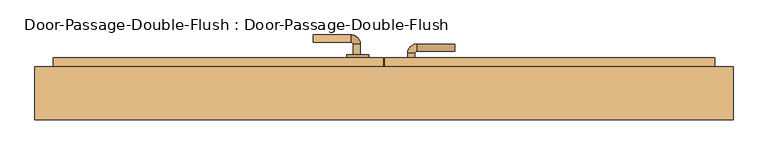
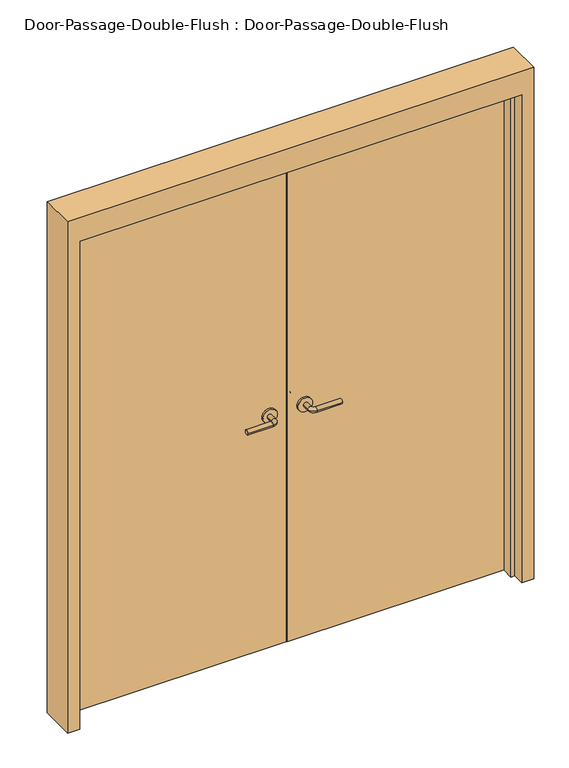
"""IFC4 building model written with IfcOpenShell, lengths in millimetres: door geometry, Door-Passage-Double-Flush : Door-Passage-Double-Flush."""

from ifc_helpers import new_model, si_unit, point, frame, frame_2d, origin, origin_with_axes, place, context, project, spatial, polyline, circle_curve, ellipse_curve, trimmed, segment, composite_curve, outline, extrude, faceted_brep, source, transform, mapped, element, save
from ifc_brep_helpers import plane_surface, cylinder_surface, revolved_surface, advanced_brep


def door_passage_double_flush_door_passage_double_flush_13d4e7fc(model_context):
    return source(origin(), model_context, "Body", "SolidModel", [
        advanced_brep(
        [(-65.009375, 4.7, 1016.0), (-85.009375, 4.7, 1016.0), (-65.009375, -25.3, 1016.0), (-85.009375, -25.3, 1016.0), (-90.009375, -30.3, 1016.0), (-90.009375, -50.3, 1016.0), (-195.009375, -50.3, 1016.0), (-195.009375, -30.3, 1016.0)],
        [
            (0, 1, circle_curve(frame((-75.009375, 4.7, 1016.0), z_axis=(0.0, 1.0, 0.0), x_axis=(-1.0, 0.0, 0.0)), 10.0)),
            (1, 0, circle_curve(frame((-75.009375, 4.7, 1016.0), z_axis=(0.0, 1.0, 0.0), x_axis=(-1.0, 0.0, 0.0)), 10.0)),
            (0, 2),
            (2, 3, circle_curve(frame((-75.009375, -25.3, 1016.0), z_axis=(0.0, 1.0, 0.0), x_axis=(-1.0, 0.0, 0.0)), 10.0)),
            (3, 1),
            (3, 2, circle_curve(frame((-75.009375, -25.3, 1016.0), z_axis=(0.0, 1.0, 0.0), x_axis=(-1.0, 0.0, 0.0)), 10.0)),
            (4, 3, circle_curve(frame((-90.009375, -25.3, 1016.0), z_axis=(0.0, 0.0, 1.0), x_axis=(1.0, 0.0, 0.0)), 5.0)),
            (2, 5, circle_curve(frame((-90.009375, -25.3, 1016.0), z_axis=(0.0, 0.0, -1.0), x_axis=(1.0, 0.0, 0.0)), 25.0)),
            (5, 4, circle_curve(frame((-90.009375, -40.3, 1016.0), z_axis=(1.0, 0.0, 0.0), x_axis=(0.0, 1.0, 0.0)), 10.0)),
            (4, 5, circle_curve(frame((-90.009375, -40.3, 1016.0), z_axis=(1.0, 0.0, 0.0), x_axis=(0.0, 1.0, 0.0)), 10.0)),
            (6, 7, circle_curve(frame((-195.009375, -40.3, 1016.0), z_axis=(-1.0, 0.0, 0.0), x_axis=(0.0, 1.0, 0.0)), 10.0)),
            (7, 6, circle_curve(frame((-195.009375, -40.3, 1016.0), z_axis=(-1.0, 0.0, 0.0), x_axis=(0.0, 1.0, 0.0)), 10.0)),
            (5, 6),
            (7, 4),
        ],
        [
            plane_surface(frame((-75.009375, 4.7, 1016.0), z_axis=(0.0, 1.0, 0.0), x_axis=(0.0, 0.0, 1.0))),
            cylinder_surface(frame((-75.009375, 4.7, 1016.0), z_axis=(0.0, 1.0, 0.0), x_axis=(-1.0, 0.0, 0.0)), 10.0),
            revolved_surface(trimmed(ellipse_curve(frame((-75.009375, -25.3, 1016.0), z_axis=(0.0, 1.0, 0.0), x_axis=(-1.0, 0.0, 0.0)), 10.0, 10.0), [point((-65.009375, -25.3, 1016.0))], [point((-85.009375, -25.3, 1016.0))], True, "CARTESIAN"), (-90.009375, -25.3, 1016.0), (0.0, 0.0, -1.0)),
            revolved_surface(trimmed(ellipse_curve(frame((-75.009375, -25.3, 1016.0), z_axis=(0.0, 1.0, 0.0), x_axis=(-1.0, 0.0, 0.0)), 10.0, 10.0), [point((-85.009375, -25.3, 1016.0))], [point((-65.009375, -25.3, 1016.0))], True, "CARTESIAN"), (-90.009375, -25.3, 1016.0), (0.0, 0.0, -1.0)),
            plane_surface(frame((-195.009375, -40.3, 1016.0), z_axis=(-1.0, 0.0, 0.0), x_axis=(0.0, 0.0, 1.0))),
            cylinder_surface(frame((-90.009375, -40.3, 1016.0), z_axis=(1.0, 0.0, 0.0), x_axis=(0.0, 1.0, 0.0)), 10.0),
        ],
        [
            (0, [[1, 2]]),
            (1, [[-1, 3, 4, 5]]),
            (1, [[-2, -5, 6, -3]]),
            (2, [[7, -4, 8, 9]]),
            (3, [[-8, -6, -7, 10]]),
            (4, [[11, 12]]),
            (5, [[-9, 13, -12, 14]]),
            (5, [[-10, -14, -11, -13]]),
        ],
    ),
        extrude(outline(composite_curve([segment(trimmed(circle_curve(frame_2d((1016.0, -72.509375)), 30.0), [point((1016.0, -42.509375))], [point((1016.0, -102.509375))], False, "CARTESIAN"), True, "CONTINUOUS"), segment(trimmed(circle_curve(frame_2d((1016.0, -72.509375)), 30.0), [point((1016.0, -102.509375))], [point((1016.0, -42.509375))], False, "CARTESIAN"), True, "CONTINUOUS")], self_intersect=False)), frame((0.0, 4.7, 0.0), z_axis=(0.0, 1.0, 0.0), x_axis=(0.0, 0.0, 1.0)), (0.0, 0.0, 1.0), 8.0),
        advanced_brep(
        [(-65.009375, 90.55, 1016.0), (-85.009375, 90.55, 1016.0), (-85.009375, 120.55, 1016.0), (-65.009375, 120.55, 1016.0), (-90.009375, 125.55, 1016.0), (-90.009375, 145.55, 1016.0), (-195.009375, 145.55, 1016.0), (-195.009375, 125.55, 1016.0)],
        [
            (0, 1, circle_curve(frame((-75.009375, 90.55, 1016.0), z_axis=(0.0, -1.0, 0.0), x_axis=(-1.0, 0.0, 0.0)), 10.0)),
            (1, 0, circle_curve(frame((-75.009375, 90.55, 1016.0), z_axis=(0.0, -1.0, 0.0), x_axis=(-1.0, 0.0, 0.0)), 10.0)),
            (1, 2),
            (2, 3, circle_curve(frame((-75.009375, 120.55, 1016.0), z_axis=(0.0, -1.0, 0.0), x_axis=(-1.0, 0.0, 0.0)), 10.0)),
            (3, 0),
            (3, 2, circle_curve(frame((-75.009375, 120.55, 1016.0), z_axis=(0.0, -1.0, 0.0), x_axis=(-1.0, 0.0, 0.0)), 10.0)),
            (4, 5, circle_curve(frame((-90.009375, 135.55, 1016.0), z_axis=(1.0, 0.0, 0.0), x_axis=(0.0, -1.0, 0.0)), 10.0)),
            (5, 3, circle_curve(frame((-90.009375, 120.55, 1016.0), z_axis=(0.0, 0.0, -1.0), x_axis=(1.0, 0.0, 0.0)), 25.0)),
            (2, 4, circle_curve(frame((-90.009375, 120.55, 1016.0), z_axis=(0.0, 0.0, 1.0), x_axis=(1.0, 0.0, 0.0)), 5.0)),
            (5, 4, circle_curve(frame((-90.009375, 135.55, 1016.0), z_axis=(1.0, 0.0, 0.0), x_axis=(0.0, -1.0, 0.0)), 10.0)),
            (6, 7, circle_curve(frame((-195.009375, 135.55, 1016.0), z_axis=(-1.0, 0.0, 0.0), x_axis=(0.0, -1.0, 0.0)), 10.0)),
            (7, 6, circle_curve(frame((-195.009375, 135.55, 1016.0), z_axis=(-1.0, 0.0, 0.0), x_axis=(0.0, -1.0, 0.0)), 10.0)),
            (4, 7),
            (6, 5),
        ],
        [
            plane_surface(frame((-75.009375, 90.55, 1016.0), z_axis=(0.0, -1.0, 0.0), x_axis=(0.0, 0.0, 1.0))),
            cylinder_surface(frame((-75.009375, 90.55, 1016.0), z_axis=(0.0, -1.0, 0.0), x_axis=(-1.0, 0.0, 0.0)), 10.0),
            revolved_surface(trimmed(ellipse_curve(frame((-75.009375, 120.55, 1016.0), z_axis=(0.0, 1.0, 0.0), x_axis=(-1.0, 0.0, 0.0)), 10.0, 10.0), [point((-65.009375, 120.55, 1016.0))], [point((-85.009375, 120.55, 1016.0))], True, "CARTESIAN"), (-90.009375, 120.55, 1016.0), (0.0, 0.0, -1.0)),
            revolved_surface(trimmed(ellipse_curve(frame((-75.009375, 120.55, 1016.0), z_axis=(0.0, 1.0, 0.0), x_axis=(-1.0, 0.0, 0.0)), 10.0, 10.0), [point((-85.009375, 120.55, 1016.0))], [point((-65.009375, 120.55, 1016.0))], True, "CARTESIAN"), (-90.009375, 120.55, 1016.0), (0.0, 0.0, -1.0)),
            plane_surface(frame((-195.009375, 135.55, 1016.0), z_axis=(-1.0, 0.0, 0.0), x_axis=(0.0, 0.0, 1.0))),
            cylinder_surface(frame((-90.009375, 135.55, 1016.0), z_axis=(1.0, 0.0, 0.0), x_axis=(0.0, -1.0, 0.0)), 10.0),
        ],
        [
            (0, [[1, 2]]),
            (1, [[3, 4, 5, -2]]),
            (1, [[-5, 6, -3, -1]]),
            (2, [[7, 8, -4, 9]]),
            (3, [[10, -9, -6, -8]]),
            (4, [[11, 12]]),
            (5, [[13, -11, 14, -7]]),
            (5, [[-14, -12, -13, -10]]),
        ],
    ),
        extrude(outline(composite_curve([segment(trimmed(circle_curve(frame_2d((1016.0, -72.509375)), 30.0), [point((1016.0, -42.509375))], [point((1016.0, -102.509375))], False, "CARTESIAN"), True, "CONTINUOUS"), segment(trimmed(circle_curve(frame_2d((1016.0, -72.509375)), 30.0), [point((1016.0, -102.509375))], [point((1016.0, -42.509375))], False, "CARTESIAN"), True, "CONTINUOUS")], self_intersect=False)), frame((0.0, 82.55, 0.0), z_axis=(0.0, 1.0, 0.0), x_axis=(0.0, 0.0, 1.0)), (0.0, 0.0, 1.0), 8.0),
        advanced_brep(
        [(65.009375, 4.7, 1016.0), (85.009375, 4.7, 1016.0), (85.009375, -25.3, 1016.0), (65.009375, -25.3, 1016.0), (90.009375, -30.3, 1016.0), (90.009375, -50.3, 1016.0), (195.009375, -50.3, 1016.0), (195.009375, -30.3, 1016.0)],
        [
            (0, 1, circle_curve(frame((75.009375, 4.7, 1016.0), z_axis=(0.0, 1.0, 0.0), x_axis=(1.0, 0.0, 0.0)), 10.0)),
            (1, 0, circle_curve(frame((75.009375, 4.7, 1016.0), z_axis=(0.0, 1.0, 0.0), x_axis=(1.0, 0.0, 0.0)), 10.0)),
            (1, 2),
            (2, 3, circle_curve(frame((75.009375, -25.3, 1016.0), z_axis=(0.0, 1.0, 0.0), x_axis=(1.0, 0.0, 0.0)), 10.0)),
            (3, 0),
            (3, 2, circle_curve(frame((75.009375, -25.3, 1016.0), z_axis=(0.0, 1.0, 0.0), x_axis=(1.0, 0.0, 0.0)), 10.0)),
            (4, 5, circle_curve(frame((90.009375, -40.3, 1016.0), z_axis=(-1.0, 0.0, 0.0), x_axis=(0.0, 1.0, 0.0)), 10.0)),
            (5, 3, circle_curve(frame((90.009375, -25.3, 1016.0), z_axis=(0.0, 0.0, -1.0), x_axis=(-1.0, 0.0, 0.0)), 25.0)),
            (2, 4, circle_curve(frame((90.009375, -25.3, 1016.0), z_axis=(0.0, 0.0, 1.0), x_axis=(-1.0, 0.0, 0.0)), 5.0)),
            (5, 4, circle_curve(frame((90.009375, -40.3, 1016.0), z_axis=(-1.0, 0.0, 0.0), x_axis=(0.0, 1.0, 0.0)), 10.0)),
            (6, 7, circle_curve(frame((195.009375, -40.3, 1016.0), z_axis=(1.0, 0.0, 0.0), x_axis=(0.0, 1.0, 0.0)), 10.0)),
            (7, 6, circle_curve(frame((195.009375, -40.3, 1016.0), z_axis=(1.0, 0.0, 0.0), x_axis=(0.0, 1.0, 0.0)), 10.0)),
            (4, 7),
            (6, 5),
        ],
        [
            plane_surface(frame((75.009375, 4.7, 1016.0), z_axis=(0.0, 1.0, 0.0), x_axis=(0.0, 0.0, 1.0))),
            cylinder_surface(frame((75.009375, 4.7, 1016.0), z_axis=(0.0, 1.0, 0.0), x_axis=(1.0, 0.0, 0.0)), 10.0),
            revolved_surface(trimmed(ellipse_curve(frame((75.009375, -25.3, 1016.0), z_axis=(0.0, -1.0, 0.0), x_axis=(1.0, 0.0, 0.0)), 10.0, 10.0), [point((65.009375, -25.3, 1016.0))], [point((85.009375, -25.3, 1016.0))], True, "CARTESIAN"), (90.009375, -25.3, 1016.0), (0.0, 0.0, -1.0)),
            revolved_surface(trimmed(ellipse_curve(frame((75.009375, -25.3, 1016.0), z_axis=(0.0, -1.0, 0.0), x_axis=(1.0, 0.0, 0.0)), 10.0, 10.0), [point((85.009375, -25.3, 1016.0))], [point((65.009375, -25.3, 1016.0))], True, "CARTESIAN"), (90.009375, -25.3, 1016.0), (0.0, 0.0, -1.0)),
            plane_surface(frame((195.009375, -40.3, 1016.0), z_axis=(1.0, 0.0, 0.0), x_axis=(0.0, 0.0, 1.0))),
            cylinder_surface(frame((90.009375, -40.3, 1016.0), z_axis=(-1.0, 0.0, 0.0), x_axis=(0.0, 1.0, 0.0)), 10.0),
        ],
        [
            (0, [[1, 2]]),
            (1, [[3, 4, 5, -2]]),
            (1, [[-5, 6, -3, -1]]),
            (2, [[7, 8, -4, 9]]),
            (3, [[10, -9, -6, -8]]),
            (4, [[11, 12]]),
            (5, [[13, -11, 14, -7]]),
            (5, [[-14, -12, -13, -10]]),
        ],
    ),
        extrude(outline(composite_curve([segment(trimmed(circle_curve(frame_2d((1016.0, 72.509375)), 30.0), [point((1016.0, 42.509375))], [point((1016.0, 102.509375))], False, "CARTESIAN"), True, "CONTINUOUS"), segment(trimmed(circle_curve(frame_2d((1016.0, 72.509375)), 30.0), [point((1016.0, 102.509375))], [point((1016.0, 42.509375))], False, "CARTESIAN"), True, "CONTINUOUS")], self_intersect=False)), frame((0.0, 4.7, 0.0), z_axis=(0.0, 1.0, 0.0), x_axis=(0.0, 0.0, 1.0)), (0.0, 0.0, 1.0), 8.0),
        advanced_brep(
        [(65.009375, 65.15, 1016.0), (85.009375, 65.15, 1016.0), (65.009375, 95.15, 1016.0), (85.009375, 95.15, 1016.0), (90.009375, 100.15, 1016.0), (90.009375, 120.15, 1016.0), (195.009375, 120.15, 1016.0), (195.009375, 100.15, 1016.0)],
        [
            (0, 1, circle_curve(frame((75.009375, 65.15, 1016.0), z_axis=(0.0, -1.0, 0.0), x_axis=(1.0, 0.0, 0.0)), 10.0)),
            (1, 0, circle_curve(frame((75.009375, 65.15, 1016.0), z_axis=(0.0, -1.0, 0.0), x_axis=(1.0, 0.0, 0.0)), 10.0)),
            (0, 2),
            (2, 3, circle_curve(frame((75.009375, 95.15, 1016.0), z_axis=(0.0, -1.0, 0.0), x_axis=(1.0, 0.0, 0.0)), 10.0)),
            (3, 1),
            (3, 2, circle_curve(frame((75.009375, 95.15, 1016.0), z_axis=(0.0, -1.0, 0.0), x_axis=(1.0, 0.0, 0.0)), 10.0)),
            (4, 3, circle_curve(frame((90.009375, 95.15, 1016.0), z_axis=(0.0, 0.0, 1.0), x_axis=(-1.0, 0.0, 0.0)), 5.0)),
            (2, 5, circle_curve(frame((90.009375, 95.15, 1016.0), z_axis=(0.0, 0.0, -1.0), x_axis=(-1.0, 0.0, 0.0)), 25.0)),
            (5, 4, circle_curve(frame((90.009375, 110.15, 1016.0), z_axis=(-1.0, 0.0, 0.0), x_axis=(0.0, -1.0, 0.0)), 10.0)),
            (4, 5, circle_curve(frame((90.009375, 110.15, 1016.0), z_axis=(-1.0, 0.0, 0.0), x_axis=(0.0, -1.0, 0.0)), 10.0)),
            (6, 7, circle_curve(frame((195.009375, 110.15, 1016.0), z_axis=(1.0, 0.0, 0.0), x_axis=(0.0, -1.0, 0.0)), 10.0)),
            (7, 6, circle_curve(frame((195.009375, 110.15, 1016.0), z_axis=(1.0, 0.0, 0.0), x_axis=(0.0, -1.0, 0.0)), 10.0)),
            (5, 6),
            (7, 4),
        ],
        [
            plane_surface(frame((75.009375, 65.15, 1016.0), z_axis=(0.0, -1.0, 0.0), x_axis=(0.0, 0.0, 1.0))),
            cylinder_surface(frame((75.009375, 65.15, 1016.0), z_axis=(0.0, -1.0, 0.0), x_axis=(1.0, 0.0, 0.0)), 10.0),
            revolved_surface(trimmed(ellipse_curve(frame((75.009375, 95.15, 1016.0), z_axis=(0.0, -1.0, 0.0), x_axis=(1.0, 0.0, 0.0)), 10.0, 10.0), [point((65.009375, 95.15, 1016.0))], [point((85.009375, 95.15, 1016.0))], True, "CARTESIAN"), (90.009375, 95.15, 1016.0), (0.0, 0.0, -1.0)),
            revolved_surface(trimmed(ellipse_curve(frame((75.009375, 95.15, 1016.0), z_axis=(0.0, -1.0, 0.0), x_axis=(1.0, 0.0, 0.0)), 10.0, 10.0), [point((85.009375, 95.15, 1016.0))], [point((65.009375, 95.15, 1016.0))], True, "CARTESIAN"), (90.009375, 95.15, 1016.0), (0.0, 0.0, -1.0)),
            plane_surface(frame((195.009375, 110.15, 1016.0), z_axis=(1.0, 0.0, 0.0), x_axis=(0.0, 0.0, 1.0))),
            cylinder_surface(frame((90.009375, 110.15, 1016.0), z_axis=(-1.0, 0.0, 0.0), x_axis=(0.0, -1.0, 0.0)), 10.0),
        ],
        [
            (0, [[1, 2]]),
            (1, [[-1, 3, 4, 5]]),
            (1, [[-2, -5, 6, -3]]),
            (2, [[7, -4, 8, 9]]),
            (3, [[-8, -6, -7, 10]]),
            (4, [[11, 12]]),
            (5, [[-9, 13, -12, 14]]),
            (5, [[-10, -14, -11, -13]]),
        ],
    ),
        extrude(outline(composite_curve([segment(trimmed(circle_curve(frame_2d((1016.0, 72.509375)), 30.0), [point((1016.0, 42.509375))], [point((1016.0, 102.509375))], False, "CARTESIAN"), True, "CONTINUOUS"), segment(trimmed(circle_curve(frame_2d((1016.0, 72.509375)), 30.0), [point((1016.0, 102.509375))], [point((1016.0, 42.509375))], False, "CARTESIAN"), True, "CONTINUOUS")], self_intersect=False)), frame((0.0, 57.15, 0.0), z_axis=(0.0, 1.0, 0.0), x_axis=(0.0, 0.0, 1.0)), (0.0, 0.0, 1.0), 8.0),
        faceted_brep([(914.4, 7.9375, 0.0), (914.4, 57.15, 0.0), (965.2, 57.15, 0.0), (965.2, -88.9, 0.0), (914.4, -88.9, 0.0), (914.4, -39.6875, 0.0), (898.525, -39.6875, 0.0), (898.525, 7.9375, 0.0), (914.4, 7.9375, 2133.6), (914.4, 57.15, 2133.6), (-914.4, 57.15, 2133.6), (-914.4, 57.15, 0.0), (-965.2, 57.15, 0.0), (-965.2, 57.15, 2235.2), (965.2, 57.15, 2235.2), (965.2, -88.9, 2235.2), (-965.2, -88.9, 2235.2), (-965.2, -88.9, 0.0), (-914.4, -88.9, 0.0), (-914.4, -88.9, 2133.6), (914.4, -88.9, 2133.6), (914.4, -39.6875, 2133.6), (-914.4, -39.6875, 2133.6), (-914.4, -39.6875, 0.0), (-898.525, -39.6875, 0.0), (-898.525, -39.6875, 2117.725), (898.525, -39.6875, 2117.725), (898.525, 7.9375, 2117.725), (-898.525, 7.9375, 2117.725), (-898.525, 7.9375, 0.0), (-914.4, 7.9375, 0.0), (-914.4, 7.9375, 2133.6)], [[[0, 1, 2, 3, 4, 5, 6, 7]], [[1, 0, 8, 9]], [[2, 1, 9, 10, 11, 12, 13, 14]], [[3, 2, 14, 15]], [[4, 3, 15, 16, 17, 18, 19, 20]], [[5, 4, 20, 21]], [[6, 5, 21, 22, 23, 24, 25, 26]], [[7, 6, 26, 27]], [[0, 7, 27, 28, 29, 30, 31, 8]], [[9, 8, 31, 10]], [[20, 19, 22, 21]], [[26, 25, 28, 27]], [[12, 11, 30, 29, 24, 23, 18, 17]], [[11, 10, 31, 30]], [[13, 12, 17, 16]], [[19, 18, 23, 22]], [[25, 24, 29, 28]], [[15, 14, 13, 16]]]),
        extrude(outline(polyline([(914.4, 12.7), (1.5875, 12.7), (1.5875, 82.55), (914.4, 82.55), (914.4, 12.7)])), origin_with_axes(), (0.0, 0.0, 1.0), 2133.6),
        extrude(outline(polyline([(-1.5875, 12.7), (-914.4, 12.7), (-914.4, 82.55), (-1.5875, 82.55), (-1.5875, 12.7)])), origin_with_axes(), (0.0, 0.0, 1.0), 2133.6),
    ])


if __name__ == "__main__":
    model = new_model("IFC4")
    model_context = context("Model", 3, world=origin())
    ifc_project = project(units=[si_unit("LENGTHUNIT", "METRE", prefix="MILLI")], contexts=[model_context])
    site = spatial("IfcSite", under=ifc_project)
    building = spatial("IfcBuilding", under=site)
    placement = place(None, origin())
    door_passage_double_flush_door_passage_double_flush_shape = door_passage_double_flush_door_passage_double_flush_13d4e7fc(model_context)
    element("IfcDoor", 1, ObjectType="Door-Passage-Double-Flush : Door-Passage-Double-Flush", at=placement, inside=building, context=model_context, shape_type="MappedRepresentation", body=[
        mapped(door_passage_double_flush_door_passage_double_flush_shape, transform((0.0, 0.0, 0.0), x_axis=(1.0, 0.0, 0.0), y_axis=(0.0, 1.0, 0.0), z_axis=(0.0, 0.0, 1.0))),
    ])
    save(model, "model.ifc")
